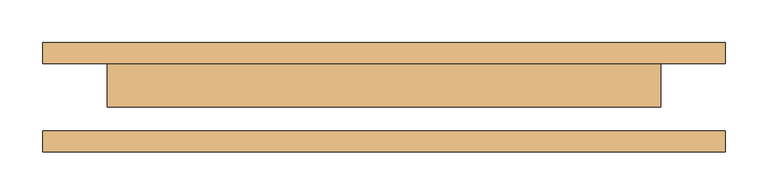
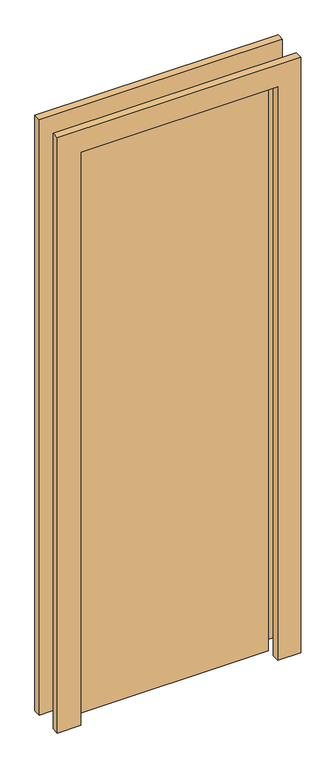
"""IFC4 building model written with IfcOpenShell, lengths in millimetres: door geometry."""

from ifc_helpers import new_model, si_unit, frame, origin, origin_with_axes, place, context, project, spatial, polyline, outline, extrude, source, transform, mapped, element, save


def door_cf31302a(model_context):
    return source(origin(), model_context, "Body", "SweptSolid", [
        extrude(outline(polyline([(2076.0, -401.0), (0.0, -401.0), (0.0, -325.0), (2000.0, -325.0), (2000.0, 325.0), (0.0, 325.0), (0.0, 401.0), (2076.0, 401.0), (2076.0, -401.0)])), frame((0.0, 39.5, 0.0), z_axis=(0.0, 1.0, 0.0), x_axis=(0.0, 0.0, 1.0)), (0.0, 0.0, 1.0), 25.0),
        extrude(outline(polyline([(2076.0, 401.0), (2076.0, -401.0), (0.0, -401.0), (0.0, -325.0), (2000.0, -325.0), (2000.0, 325.0), (0.0, 325.0), (0.0, 401.0), (2076.0, 401.0)])), frame((0.0, -64.5, 0.0), z_axis=(0.0, 1.0, 0.0), x_axis=(0.0, 0.0, 1.0)), (0.0, 0.0, 1.0), 25.0),
        extrude(outline(polyline([(325.0, -11.5), (-325.0, -11.5), (-325.0, 39.5), (325.0, 39.5), (325.0, -11.5)])), origin_with_axes(), (0.0, 0.0, 1.0), 2000.0),
    ])


if __name__ == "__main__":
    model = new_model("IFC4")
    model_context = context("Model", 3, world=origin())
    ifc_project = project(units=[si_unit("LENGTHUNIT", "METRE", prefix="MILLI")], contexts=[model_context])
    site = spatial("IfcSite", under=ifc_project)
    building = spatial("IfcBuilding", under=site)
    placement = place(None, origin())
    door_shape = door_cf31302a(model_context)
    element("IfcDoor", 1, at=placement, inside=building, context=model_context, shape_type="MappedRepresentation", body=[
        mapped(door_shape, transform((0.0, 0.0, 0.0), x_axis=(1.0, 0.0, 0.0), y_axis=(0.0, 1.0, 0.0), z_axis=(0.0, 0.0, 1.0))),
    ])
    save(model, "model.ifc")
